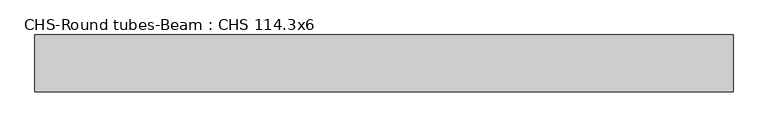
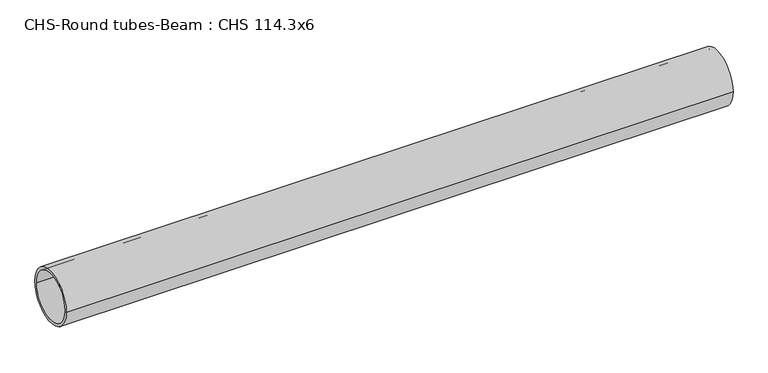
"""IFC4 building model written with IfcOpenShell, lengths in millimetres: beam geometry, CHS-Round tubes-Beam : CHS 114.3x6."""

from ifc_helpers import new_model, si_unit, point, frame, origin, origin_2d, place, context, project, spatial, circle_curve, trimmed, segment, composite_curve, outline, extrude, source, transform, mapped, element, save


def chs_round_tubes_beam_chs_114_3x6_e15e5bc2(model_context):
    return source(origin(), model_context, "Body", "SweptSolid", [
        extrude(outline(composite_curve([segment(trimmed(circle_curve(origin_2d(), 57.15), [point((57.15, 0.0))], [point((-57.15, 0.0))], False, "CARTESIAN"), True, "CONTINUOUS"), segment(trimmed(circle_curve(origin_2d(), 57.15), [point((-57.15, 0.0))], [point((57.15, 0.0))], False, "CARTESIAN"), True, "CONTINUOUS")], self_intersect=False), holes=[composite_curve([segment(trimmed(circle_curve(origin_2d(), 51.15), [point((51.15, 0.0))], [point((-51.15, 0.0))], True, "CARTESIAN"), True, "CONTINUOUS"), segment(trimmed(circle_curve(origin_2d(), 51.15), [point((-51.15, 0.0))], [point((51.15, 0.0))], True, "CARTESIAN"), True, "CONTINUOUS")], self_intersect=False)]), frame((-774.0295478, 0.0, 0.0), z_axis=(1.0, 0.0, 0.0), x_axis=(0.0, 1.0, 0.0)), (0.0, 0.0, 1.0), 1399.0707307),
    ])


if __name__ == "__main__":
    model = new_model("IFC4")
    model_context = context("Model", 3, world=origin())
    ifc_project = project(units=[si_unit("LENGTHUNIT", "METRE", prefix="MILLI")], contexts=[model_context])
    site = spatial("IfcSite", under=ifc_project)
    building = spatial("IfcBuilding", under=site)
    placement = place(None, origin())
    chs_round_tubes_beam_chs_114_3x6_shape = chs_round_tubes_beam_chs_114_3x6_e15e5bc2(model_context)
    element("IfcBeam", 1, ObjectType="CHS-Round tubes-Beam : CHS 114.3x6", at=placement, inside=building, context=model_context, shape_type="MappedRepresentation", body=[
        mapped(chs_round_tubes_beam_chs_114_3x6_shape, transform((0.0, 0.0, 0.0), x_axis=(1.0, 0.0, 0.0), y_axis=(0.0, 1.0, 0.0), z_axis=(0.0, 0.0, 1.0))),
    ])
    save(model, "model.ifc")
